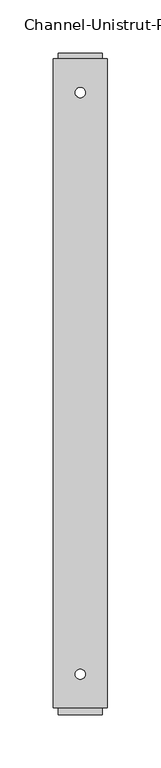
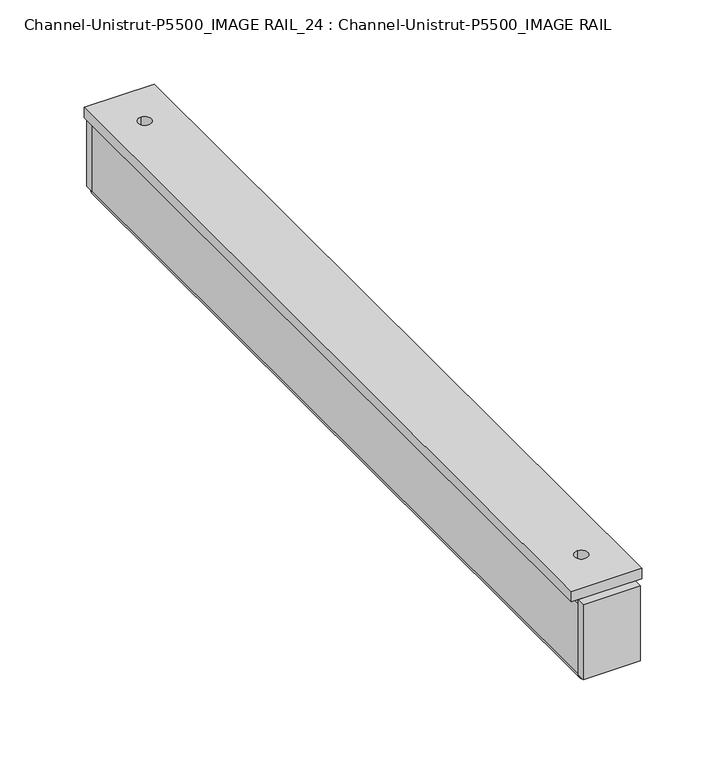
"""IFC4 building model written with IfcOpenShell, lengths in millimetres: proxy geometry, Channel-Unistrut-P5500_IMAGE RAIL_24 : Channel-Unistrut-P5500_IMAGE RAIL."""

from ifc_helpers import new_model, si_unit, point, frame, frame_2d, origin, place, context, project, spatial, polyline, circle_curve, trimmed, segment, composite_curve, outline, extrude, source, transform, mapped, element, save
from ifc_brep_helpers import plane_surface, cylinder_surface, revolved_surface, advanced_brep


def channel_unistrut_p5500_image_rail_24_channel_unistrut_p5500_609f9cf5(model_context):
    return source(origin(), model_context, "Body", "SolidModel", [
        extrude(outline(polyline([(-20.6375, 303.6266199), (-20.6375, 309.9766199), (20.6446865, 309.9766199), (20.6446865, 303.6266199), (-20.6375, 303.6266199)])), frame((0.0, 0.0, 4.75615), z_axis=(0.0, 0.0, 1.0), x_axis=(1.0, 0.0, 0.0)), (0.0, 0.0, 1.0), 57.15),
        extrude(outline(polyline([(25.3928135, -304.8), (-25.4071865, -304.8), (-25.4071865, 304.8), (25.3928135, 304.8), (25.3928135, -304.8)]), holes=[composite_curve([segment(trimmed(circle_curve(frame_2d((-0.0071865, -273.05)), 4.7625), [point((-0.0071865, -277.8125))], [point((-0.0071865, -268.2875))], True, "CARTESIAN"), True, "CONTINUOUS"), segment(trimmed(circle_curve(frame_2d((-0.0071865, -273.05)), 4.7625), [point((-0.0071865, -268.2875))], [point((-0.0071865, -277.8125))], True, "CARTESIAN"), True, "CONTINUOUS")], self_intersect=False), composite_curve([segment(trimmed(circle_curve(frame_2d((-0.0071865, 273.05)), 4.7625), [point((-0.0071865, 268.2875))], [point((-0.0071865, 277.8125))], True, "CARTESIAN"), True, "CONTINUOUS"), segment(trimmed(circle_curve(frame_2d((-0.0071865, 273.05)), 4.7625), [point((-0.0071865, 277.8125))], [point((-0.0071865, 268.2875))], True, "CARTESIAN"), True, "CONTINUOUS")], self_intersect=False)]), frame((0.0, 0.0, 61.90615), z_axis=(0.0, 0.0, 1.0), x_axis=(1.0, 0.0, 0.0)), (0.0, 0.0, 1.0), 7.9375),
        extrude(outline(polyline([(-20.6375, -311.15), (-20.6375, -304.8), (20.6375, -304.8), (20.6375, -311.15), (-20.6375, -311.15)])), frame((0.0, 0.0, 4.7877902), z_axis=(0.0, 0.0, 1.0), x_axis=(1.0, 0.0, 0.0)), (0.0, 0.0, 1.0), 57.15),
        advanced_brep(
        [(-17.9705, 304.8, 58.4454), (-17.9705, 304.8, 5.04825), (-15.58925, 304.8, 2.667), (-14.57325, 304.8, 2.667), (-13.7795, 304.8, 3.46075), (-13.7795, 304.8, 7.1374), (-11.1125, 304.8, 7.1374), (-11.1125, 304.8, 3.46075), (-14.57325, 304.8, 0.0), (-15.58925, 304.8, 0.0), (-20.6375, 304.8, 5.04825), (-20.6375, 304.8, 58.4454), (-17.17675, 304.8, 61.90615), (17.17675, 304.8, 61.90615), (20.6375, 304.8, 58.4454), (20.6375, 304.8, 5.04825), (15.58925, 304.8, 0.0), (14.57325, 304.8, 0.0), (11.1125, 304.8, 3.46075), (11.1125, 304.8, 7.1374), (13.7795, 304.8, 7.1374), (13.7795, 304.8, 3.46075), (14.57325, 304.8, 2.667), (15.58925, 304.8, 2.667), (17.9705, 304.8, 5.04825), (17.9705, 304.8, 58.4454), (17.17675, 304.8, 59.23915), (-17.17675, 304.8, 59.23915), (-17.9705, -304.8, 58.4454), (-17.17675, -304.8, 59.23915), (17.17675, -304.8, 59.23915), (17.9705, -304.8, 58.4454), (17.9705, -304.8, 5.04825), (15.58925, -304.8, 2.667), (14.57325, -304.8, 2.667), (13.7795, -304.8, 3.46075), (13.7795, -304.8, 7.1374), (11.1125, -304.8, 7.1374), (11.1125, -304.8, 3.46075), (14.57325, -304.8, 0.0), (15.58925, -304.8, 0.0), (20.6375, -304.8, 5.04825), (20.6375, -304.8, 58.4454), (17.17675, -304.8, 61.90615), (-17.17675, -304.8, 61.90615), (-20.6375, -304.8, 58.4454), (-20.6375, -304.8, 5.04825), (-15.58925, -304.8, 0.0), (-14.57325, -304.8, 0.0), (-11.1125, -304.8, 3.46075), (-11.1125, -304.8, 7.1374), (-13.7795, -304.8, 7.1374), (-13.7795, -304.8, 3.46075), (-14.57325, -304.8, 2.667), (-15.58925, -304.8, 2.667), (-17.9705, -304.8, 5.04825), (7.14375, -272.25625, 61.90615), (7.14375, -286.54375, 61.90615), (-7.14375, -286.54375, 61.90615), (-7.14375, -272.25625, 61.90615), (7.14375, -221.45625, 61.90615), (7.14375, -235.74375, 61.90615), (-7.14375, -235.74375, 61.90615), (-7.14375, -221.45625, 61.90615), (7.14375, -170.65625, 61.90615), (7.14375, -184.94375, 61.90615), (-7.14375, -184.94375, 61.90615), (-7.14375, -170.65625, 61.90615), (7.14375, -119.85625, 61.90615), (7.14375, -134.14375, 61.90615), (-7.14375, -134.14375, 61.90615), (-7.14375, -119.85625, 61.90615), (7.14375, -69.05625, 61.90615), (7.14375, -83.34375, 61.90615), (-7.14375, -83.34375, 61.90615), (-7.14375, -69.05625, 61.90615), (7.14375, -18.25625, 61.90615), (7.14375, -32.54375, 61.90615), (-7.14375, -32.54375, 61.90615), (-7.14375, -18.25625, 61.90615), (7.14375, 32.54375, 61.90615), (7.14375, 18.25625, 61.90615), (-7.14375, 18.25625, 61.90615), (-7.14375, 32.54375, 61.90615), (7.14375, 83.34375, 61.90615), (7.14375, 69.05625, 61.90615), (-7.14375, 69.05625, 61.90615), (-7.14375, 83.34375, 61.90615), (7.14375, 134.14375, 61.90615), (7.14375, 119.85625, 61.90615), (-7.14375, 119.85625, 61.90615), (-7.14375, 134.14375, 61.90615), (7.14375, 184.94375, 61.90615), (7.14375, 170.65625, 61.90615), (-7.14375, 170.65625, 61.90615), (-7.14375, 184.94375, 61.90615), (7.14375, 235.74375, 61.90615), (7.14375, 221.45625, 61.90615), (-7.14375, 221.45625, 61.90615), (-7.14375, 235.74375, 61.90615), (7.14375, 286.54375, 61.90615), (7.14375, 272.25625, 61.90615), (-7.14375, 272.25625, 61.90615), (-7.14375, 286.54375, 61.90615), (7.14375, -286.54375, 59.23915), (7.14375, -272.25625, 59.23915), (-7.14375, -272.25625, 59.23915), (-7.14375, -286.54375, 59.23915), (7.14375, -235.74375, 59.23915), (7.14375, -221.45625, 59.23915), (-7.14375, -221.45625, 59.23915), (-7.14375, -235.74375, 59.23915), (7.14375, -184.94375, 59.23915), (7.14375, -170.65625, 59.23915), (-7.14375, -170.65625, 59.23915), (-7.14375, -184.94375, 59.23915), (7.14375, -134.14375, 59.23915), (7.14375, -119.85625, 59.23915), (-7.14375, -119.85625, 59.23915), (-7.14375, -134.14375, 59.23915), (7.14375, -83.34375, 59.23915), (7.14375, -69.05625, 59.23915), (-7.14375, -69.05625, 59.23915), (-7.14375, -83.34375, 59.23915), (7.14375, -32.54375, 59.23915), (7.14375, -18.25625, 59.23915), (-7.14375, -18.25625, 59.23915), (-7.14375, -32.54375, 59.23915), (7.14375, 18.25625, 59.23915), (7.14375, 32.54375, 59.23915), (-7.14375, 32.54375, 59.23915), (-7.14375, 18.25625, 59.23915), (7.14375, 69.05625, 59.23915), (7.14375, 83.34375, 59.23915), (-7.14375, 83.34375, 59.23915), (-7.14375, 69.05625, 59.23915), (7.14375, 119.85625, 59.23915), (7.14375, 134.14375, 59.23915), (-7.14375, 134.14375, 59.23915), (-7.14375, 119.85625, 59.23915), (7.14375, 170.65625, 59.23915), (7.14375, 184.94375, 59.23915), (-7.14375, 184.94375, 59.23915), (-7.14375, 170.65625, 59.23915), (7.14375, 221.45625, 59.23915), (7.14375, 235.74375, 59.23915), (-7.14375, 235.74375, 59.23915), (-7.14375, 221.45625, 59.23915), (7.14375, 272.25625, 59.23915), (7.14375, 286.54375, 59.23915), (-7.14375, 286.54375, 59.23915), (-7.14375, 272.25625, 59.23915)],
        [
            (0, 1),
            (1, 2, circle_curve(frame((-15.58925, 304.8, 5.04825), z_axis=(0.0, -1.0, 0.0), x_axis=(1.0, 0.0, 0.0)), 2.38125)),
            (2, 3),
            (3, 4, circle_curve(frame((-14.57325, 304.8, 3.46075), z_axis=(0.0, -1.0, 0.0), x_axis=(1.0, 0.0, 0.0)), 0.79375)),
            (4, 5),
            (5, 6),
            (6, 7),
            (7, 8, circle_curve(frame((-14.57325, 304.8, 3.46075), z_axis=(0.0, 1.0, 0.0), x_axis=(1.0, 0.0, 0.0)), 3.46075)),
            (8, 9),
            (9, 10, circle_curve(frame((-15.58925, 304.8, 5.04825), z_axis=(0.0, 1.0, 0.0), x_axis=(1.0, 0.0, 0.0)), 5.04825)),
            (10, 11),
            (11, 12, circle_curve(frame((-17.17675, 304.8, 58.4454), z_axis=(0.0, 1.0, 0.0), x_axis=(1.0, 0.0, 0.0)), 3.46075)),
            (12, 13),
            (13, 14, circle_curve(frame((17.17675, 304.8, 58.4454), z_axis=(0.0, 1.0, 0.0), x_axis=(1.0, 0.0, 0.0)), 3.46075)),
            (14, 15),
            (15, 16, circle_curve(frame((15.58925, 304.8, 5.04825), z_axis=(0.0, 1.0, 0.0), x_axis=(1.0, 0.0, 0.0)), 5.04825)),
            (16, 17),
            (17, 18, circle_curve(frame((14.57325, 304.8, 3.46075), z_axis=(0.0, 1.0, 0.0), x_axis=(1.0, 0.0, 0.0)), 3.46075)),
            (18, 19),
            (19, 20),
            (20, 21),
            (21, 22, circle_curve(frame((14.57325, 304.8, 3.46075), z_axis=(0.0, -1.0, 0.0), x_axis=(1.0, 0.0, 0.0)), 0.79375)),
            (22, 23),
            (23, 24, circle_curve(frame((15.58925, 304.8, 5.04825), z_axis=(0.0, -1.0, 0.0), x_axis=(1.0, 0.0, 0.0)), 2.38125)),
            (24, 25),
            (25, 26, circle_curve(frame((17.17675, 304.8, 58.4454), z_axis=(0.0, -1.0, 0.0), x_axis=(1.0, 0.0, 0.0)), 0.79375)),
            (26, 27),
            (27, 0, circle_curve(frame((-17.17675, 304.8, 58.4454), z_axis=(0.0, -1.0, 0.0), x_axis=(1.0, 0.0, 0.0)), 0.79375)),
            (28, 29, circle_curve(frame((-17.17675, -304.8, 58.4454), z_axis=(0.0, 1.0, 0.0), x_axis=(1.0, 0.0, 0.0)), 0.79375)),
            (29, 30),
            (30, 31, circle_curve(frame((17.17675, -304.8, 58.4454), z_axis=(0.0, 1.0, 0.0), x_axis=(1.0, 0.0, 0.0)), 0.79375)),
            (31, 32),
            (32, 33, circle_curve(frame((15.58925, -304.8, 5.04825), z_axis=(0.0, 1.0, 0.0), x_axis=(1.0, 0.0, 0.0)), 2.38125)),
            (33, 34),
            (34, 35, circle_curve(frame((14.57325, -304.8, 3.46075), z_axis=(0.0, 1.0, 0.0), x_axis=(1.0, 0.0, 0.0)), 0.79375)),
            (35, 36),
            (36, 37),
            (37, 38),
            (38, 39, circle_curve(frame((14.57325, -304.8, 3.46075), z_axis=(0.0, -1.0, 0.0), x_axis=(1.0, 0.0, 0.0)), 3.46075)),
            (39, 40),
            (40, 41, circle_curve(frame((15.58925, -304.8, 5.04825), z_axis=(0.0, -1.0, 0.0), x_axis=(1.0, 0.0, 0.0)), 5.04825)),
            (41, 42),
            (42, 43, circle_curve(frame((17.17675, -304.8, 58.4454), z_axis=(0.0, -1.0, 0.0), x_axis=(1.0, 0.0, 0.0)), 3.46075)),
            (43, 44),
            (44, 45, circle_curve(frame((-17.17675, -304.8, 58.4454), z_axis=(0.0, -1.0, 0.0), x_axis=(1.0, 0.0, 0.0)), 3.46075)),
            (45, 46),
            (46, 47, circle_curve(frame((-15.58925, -304.8, 5.04825), z_axis=(0.0, -1.0, 0.0), x_axis=(1.0, 0.0, 0.0)), 5.04825)),
            (47, 48),
            (48, 49, circle_curve(frame((-14.57325, -304.8, 3.46075), z_axis=(0.0, -1.0, 0.0), x_axis=(1.0, 0.0, 0.0)), 3.46075)),
            (49, 50),
            (50, 51),
            (51, 52),
            (52, 53, circle_curve(frame((-14.57325, -304.8, 3.46075), z_axis=(0.0, 1.0, 0.0), x_axis=(1.0, 0.0, 0.0)), 0.79375)),
            (53, 54),
            (54, 55, circle_curve(frame((-15.58925, -304.8, 5.04825), z_axis=(0.0, 1.0, 0.0), x_axis=(1.0, 0.0, 0.0)), 2.38125)),
            (55, 28),
            (0, 28),
            (55, 1),
            (54, 2),
            (53, 3),
            (52, 4),
            (51, 5),
            (50, 6),
            (49, 7),
            (48, 8),
            (47, 9),
            (46, 10),
            (45, 11),
            (44, 12),
            (43, 13),
            (56, 57),
            (57, 58, circle_curve(frame((0.0, -286.54375, 61.90615), z_axis=(0.0, 0.0, -1.0), x_axis=(1.0, 0.0, 0.0)), 7.14375)),
            (58, 59),
            (59, 56, circle_curve(frame((0.0, -272.25625, 61.90615), z_axis=(0.0, 0.0, -1.0), x_axis=(1.0, 0.0, 0.0)), 7.14375)),
            (60, 61),
            (61, 62, circle_curve(frame((0.0, -235.74375, 61.90615), z_axis=(0.0, 0.0, -1.0), x_axis=(1.0, 0.0, 0.0)), 7.14375)),
            (62, 63),
            (63, 60, circle_curve(frame((0.0, -221.45625, 61.90615), z_axis=(0.0, 0.0, -1.0), x_axis=(1.0, 0.0, 0.0)), 7.14375)),
            (64, 65),
            (65, 66, circle_curve(frame((0.0, -184.94375, 61.90615), z_axis=(0.0, 0.0, -1.0), x_axis=(1.0, 0.0, 0.0)), 7.14375)),
            (66, 67),
            (67, 64, circle_curve(frame((0.0, -170.65625, 61.90615), z_axis=(0.0, 0.0, -1.0), x_axis=(1.0, 0.0, 0.0)), 7.14375)),
            (68, 69),
            (69, 70, circle_curve(frame((0.0, -134.14375, 61.90615), z_axis=(0.0, 0.0, -1.0), x_axis=(1.0, 0.0, 0.0)), 7.14375)),
            (70, 71),
            (71, 68, circle_curve(frame((0.0, -119.85625, 61.90615), z_axis=(0.0, 0.0, -1.0), x_axis=(1.0, 0.0, 0.0)), 7.14375)),
            (72, 73),
            (73, 74, circle_curve(frame((0.0, -83.34375, 61.90615), z_axis=(0.0, 0.0, -1.0), x_axis=(1.0, 0.0, 0.0)), 7.14375)),
            (74, 75),
            (75, 72, circle_curve(frame((0.0, -69.05625, 61.90615), z_axis=(0.0, 0.0, -1.0), x_axis=(1.0, 0.0, 0.0)), 7.14375)),
            (76, 77),
            (77, 78, circle_curve(frame((0.0, -32.54375, 61.90615), z_axis=(0.0, 0.0, -1.0), x_axis=(1.0, 0.0, 0.0)), 7.14375)),
            (78, 79),
            (79, 76, circle_curve(frame((0.0, -18.25625, 61.90615), z_axis=(0.0, 0.0, -1.0), x_axis=(1.0, 0.0, 0.0)), 7.14375)),
            (80, 81),
            (81, 82, circle_curve(frame((0.0, 18.25625, 61.90615), z_axis=(0.0, 0.0, -1.0), x_axis=(1.0, 0.0, 0.0)), 7.14375)),
            (82, 83),
            (83, 80, circle_curve(frame((0.0, 32.54375, 61.90615), z_axis=(0.0, 0.0, -1.0), x_axis=(1.0, 0.0, 0.0)), 7.14375)),
            (84, 85),
            (85, 86, circle_curve(frame((0.0, 69.05625, 61.90615), z_axis=(0.0, 0.0, -1.0), x_axis=(1.0, 0.0, 0.0)), 7.14375)),
            (86, 87),
            (87, 84, circle_curve(frame((0.0, 83.34375, 61.90615), z_axis=(0.0, 0.0, -1.0), x_axis=(1.0, 0.0, 0.0)), 7.14375)),
            (88, 89),
            (89, 90, circle_curve(frame((0.0, 119.85625, 61.90615), z_axis=(0.0, 0.0, -1.0), x_axis=(1.0, 0.0, 0.0)), 7.14375)),
            (90, 91),
            (91, 88, circle_curve(frame((0.0, 134.14375, 61.90615), z_axis=(0.0, 0.0, -1.0), x_axis=(1.0, 0.0, 0.0)), 7.14375)),
            (92, 93),
            (93, 94, circle_curve(frame((0.0, 170.65625, 61.90615), z_axis=(0.0, 0.0, -1.0), x_axis=(1.0, 0.0, 0.0)), 7.14375)),
            (94, 95),
            (95, 92, circle_curve(frame((0.0, 184.94375, 61.90615), z_axis=(0.0, 0.0, -1.0), x_axis=(1.0, 0.0, 0.0)), 7.14375)),
            (96, 97),
            (97, 98, circle_curve(frame((0.0, 221.45625, 61.90615), z_axis=(0.0, 0.0, -1.0), x_axis=(1.0, 0.0, 0.0)), 7.14375)),
            (98, 99),
            (99, 96, circle_curve(frame((0.0, 235.74375, 61.90615), z_axis=(0.0, 0.0, -1.0), x_axis=(1.0, 0.0, 0.0)), 7.14375)),
            (100, 101),
            (101, 102, circle_curve(frame((0.0, 272.25625, 61.90615), z_axis=(0.0, 0.0, -1.0), x_axis=(1.0, 0.0, 0.0)), 7.14375)),
            (102, 103),
            (103, 100, circle_curve(frame((0.0, 286.54375, 61.90615), z_axis=(0.0, 0.0, -1.0), x_axis=(1.0, 0.0, 0.0)), 7.14375)),
            (42, 14),
            (41, 15),
            (40, 16),
            (39, 17),
            (38, 18),
            (37, 19),
            (36, 20),
            (35, 21),
            (34, 22),
            (33, 23),
            (32, 24),
            (31, 25),
            (30, 26),
            (29, 27),
            (104, 105),
            (105, 106, circle_curve(frame((0.0, -272.25625, 59.23915), z_axis=(0.0, 0.0, 1.0), x_axis=(1.0, 0.0, 0.0)), 7.14375)),
            (106, 107),
            (107, 104, circle_curve(frame((0.0, -286.54375, 59.23915), z_axis=(0.0, 0.0, 1.0), x_axis=(1.0, 0.0, 0.0)), 7.14375)),
            (108, 109),
            (109, 110, circle_curve(frame((0.0, -221.45625, 59.23915), z_axis=(0.0, 0.0, 1.0), x_axis=(1.0, 0.0, 0.0)), 7.14375)),
            (110, 111),
            (111, 108, circle_curve(frame((0.0, -235.74375, 59.23915), z_axis=(0.0, 0.0, 1.0), x_axis=(1.0, 0.0, 0.0)), 7.14375)),
            (112, 113),
            (113, 114, circle_curve(frame((0.0, -170.65625, 59.23915), z_axis=(0.0, 0.0, 1.0), x_axis=(1.0, 0.0, 0.0)), 7.14375)),
            (114, 115),
            (115, 112, circle_curve(frame((0.0, -184.94375, 59.23915), z_axis=(0.0, 0.0, 1.0), x_axis=(1.0, 0.0, 0.0)), 7.14375)),
            (116, 117),
            (117, 118, circle_curve(frame((0.0, -119.85625, 59.23915), z_axis=(0.0, 0.0, 1.0), x_axis=(1.0, 0.0, 0.0)), 7.14375)),
            (118, 119),
            (119, 116, circle_curve(frame((0.0, -134.14375, 59.23915), z_axis=(0.0, 0.0, 1.0), x_axis=(1.0, 0.0, 0.0)), 7.14375)),
            (120, 121),
            (121, 122, circle_curve(frame((0.0, -69.05625, 59.23915), z_axis=(0.0, 0.0, 1.0), x_axis=(1.0, 0.0, 0.0)), 7.14375)),
            (122, 123),
            (123, 120, circle_curve(frame((0.0, -83.34375, 59.23915), z_axis=(0.0, 0.0, 1.0), x_axis=(1.0, 0.0, 0.0)), 7.14375)),
            (124, 125),
            (125, 126, circle_curve(frame((0.0, -18.25625, 59.23915), z_axis=(0.0, 0.0, 1.0), x_axis=(1.0, 0.0, 0.0)), 7.14375)),
            (126, 127),
            (127, 124, circle_curve(frame((0.0, -32.54375, 59.23915), z_axis=(0.0, 0.0, 1.0), x_axis=(1.0, 0.0, 0.0)), 7.14375)),
            (128, 129),
            (129, 130, circle_curve(frame((0.0, 32.54375, 59.23915), z_axis=(0.0, 0.0, 1.0), x_axis=(1.0, 0.0, 0.0)), 7.14375)),
            (130, 131),
            (131, 128, circle_curve(frame((0.0, 18.25625, 59.23915), z_axis=(0.0, 0.0, 1.0), x_axis=(1.0, 0.0, 0.0)), 7.14375)),
            (132, 133),
            (133, 134, circle_curve(frame((0.0, 83.34375, 59.23915), z_axis=(0.0, 0.0, 1.0), x_axis=(1.0, 0.0, 0.0)), 7.14375)),
            (134, 135),
            (135, 132, circle_curve(frame((0.0, 69.05625, 59.23915), z_axis=(0.0, 0.0, 1.0), x_axis=(1.0, 0.0, 0.0)), 7.14375)),
            (136, 137),
            (137, 138, circle_curve(frame((0.0, 134.14375, 59.23915), z_axis=(0.0, 0.0, 1.0), x_axis=(1.0, 0.0, 0.0)), 7.14375)),
            (138, 139),
            (139, 136, circle_curve(frame((0.0, 119.85625, 59.23915), z_axis=(0.0, 0.0, 1.0), x_axis=(1.0, 0.0, 0.0)), 7.14375)),
            (140, 141),
            (141, 142, circle_curve(frame((0.0, 184.94375, 59.23915), z_axis=(0.0, 0.0, 1.0), x_axis=(1.0, 0.0, 0.0)), 7.14375)),
            (142, 143),
            (143, 140, circle_curve(frame((0.0, 170.65625, 59.23915), z_axis=(0.0, 0.0, 1.0), x_axis=(1.0, 0.0, 0.0)), 7.14375)),
            (144, 145),
            (145, 146, circle_curve(frame((0.0, 235.74375, 59.23915), z_axis=(0.0, 0.0, 1.0), x_axis=(1.0, 0.0, 0.0)), 7.14375)),
            (146, 147),
            (147, 144, circle_curve(frame((0.0, 221.45625, 59.23915), z_axis=(0.0, 0.0, 1.0), x_axis=(1.0, 0.0, 0.0)), 7.14375)),
            (148, 149),
            (149, 150, circle_curve(frame((0.0, 286.54375, 59.23915), z_axis=(0.0, 0.0, 1.0), x_axis=(1.0, 0.0, 0.0)), 7.14375)),
            (150, 151),
            (151, 148, circle_curve(frame((0.0, 272.25625, 59.23915), z_axis=(0.0, 0.0, 1.0), x_axis=(1.0, 0.0, 0.0)), 7.14375)),
            (56, 105),
            (104, 57),
            (59, 106),
            (58, 107),
            (60, 109),
            (108, 61),
            (63, 110),
            (62, 111),
            (64, 113),
            (112, 65),
            (67, 114),
            (66, 115),
            (68, 117),
            (116, 69),
            (71, 118),
            (70, 119),
            (72, 121),
            (120, 73),
            (75, 122),
            (74, 123),
            (76, 125),
            (124, 77),
            (79, 126),
            (78, 127),
            (80, 129),
            (128, 81),
            (83, 130),
            (82, 131),
            (84, 133),
            (132, 85),
            (87, 134),
            (86, 135),
            (88, 137),
            (136, 89),
            (91, 138),
            (90, 139),
            (92, 141),
            (140, 93),
            (95, 142),
            (94, 143),
            (96, 145),
            (144, 97),
            (99, 146),
            (98, 147),
            (100, 149),
            (148, 101),
            (103, 150),
            (102, 151),
        ],
        [
            plane_surface(frame((0.0, 304.8, 0.0), z_axis=(0.0, 1.0, 0.0), x_axis=(0.0, 0.0, 1.0))),
            plane_surface(frame((0.0, -304.8, 0.0), z_axis=(0.0, -1.0, 0.0), x_axis=(0.0, 0.0, 1.0))),
            plane_surface(frame((-17.9705, 304.8, 58.4454), z_axis=(1.0, 0.0, 0.0), x_axis=(0.0, -1.0, 0.0))),
            revolved_surface(polyline([(-13.208, -304.8, 5.04825), (-13.208, 304.8, 5.04825)]), (-15.58925, 304.8, 5.04825), (0.0, -1.0, 0.0)),
            plane_surface(frame((-15.58925, 304.8, 2.667), z_axis=(0.0, 0.0, 1.0), x_axis=(0.0, -1.0, 0.0))),
            revolved_surface(polyline([(-13.7795, -304.8, 3.46075), (-13.7795, 304.8, 3.46075)]), (-14.57325, 304.8, 3.46075), (0.0, -1.0, 0.0)),
            plane_surface(frame((-13.7795, 304.8, 3.46075), z_axis=(-1.0, 0.0, 0.0), x_axis=(0.0, -1.0, 0.0))),
            plane_surface(frame((-13.7795, 304.8, 7.1374), z_axis=(0.0, 0.0, 1.0), x_axis=(0.0, -1.0, 0.0))),
            plane_surface(frame((-11.1125, 304.8, 7.1374), z_axis=(1.0, 0.0, 0.0), x_axis=(0.0, -1.0, 0.0))),
            cylinder_surface(frame((-14.57325, 304.8, 3.46075), z_axis=(0.0, 1.0, 0.0), x_axis=(1.0, 0.0, 0.0)), 3.46075),
            plane_surface(frame((-14.57325, 304.8, 0.0), z_axis=(0.0, 0.0, -1.0), x_axis=(0.0, -1.0, 0.0))),
            cylinder_surface(frame((-15.58925, 304.8, 5.04825), z_axis=(0.0, 1.0, 0.0), x_axis=(1.0, 0.0, 0.0)), 5.04825),
            plane_surface(frame((-20.6375, 304.8, 5.04825), z_axis=(-1.0, 0.0, 0.0), x_axis=(0.0, -1.0, 0.0))),
            cylinder_surface(frame((-17.17675, 304.8, 58.4454), z_axis=(0.0, 1.0, 0.0), x_axis=(1.0, 0.0, 0.0)), 3.46075),
            plane_surface(frame((-17.17675, 304.8, 61.90615), z_axis=(0.0, 0.0, 1.0), x_axis=(0.0, -1.0, 0.0))),
            cylinder_surface(frame((17.17675, 304.8, 58.4454), z_axis=(0.0, 1.0, 0.0), x_axis=(1.0, 0.0, 0.0)), 3.46075),
            plane_surface(frame((20.6375, 304.8, 58.4454), z_axis=(1.0, 0.0, 0.0), x_axis=(0.0, -1.0, 0.0))),
            cylinder_surface(frame((15.58925, 304.8, 5.04825), z_axis=(0.0, 1.0, 0.0), x_axis=(1.0, 0.0, 0.0)), 5.04825),
            plane_surface(frame((15.58925, 304.8, 0.0), z_axis=(0.0, 0.0, -1.0), x_axis=(0.0, -1.0, 0.0))),
            cylinder_surface(frame((14.57325, 304.8, 3.46075), z_axis=(0.0, 1.0, 0.0), x_axis=(1.0, 0.0, 0.0)), 3.46075),
            plane_surface(frame((11.1125, 304.8, 3.46075), z_axis=(-1.0, 0.0, 0.0), x_axis=(0.0, -1.0, 0.0))),
            plane_surface(frame((11.1125, 304.8, 7.1374), z_axis=(0.0, 0.0, 1.0), x_axis=(0.0, -1.0, 0.0))),
            plane_surface(frame((13.7795, 304.8, 7.1374), z_axis=(1.0, 0.0, 0.0), x_axis=(0.0, -1.0, 0.0))),
            revolved_surface(polyline([(15.366999999999999, -304.8, 3.46075), (15.366999999999999, 304.8, 3.46075)]), (14.57325, 304.8, 3.46075), (0.0, -1.0, 0.0)),
            plane_surface(frame((14.57325, 304.8, 2.667), z_axis=(0.0, 0.0, 1.0), x_axis=(0.0, -1.0, 0.0))),
            revolved_surface(polyline([(17.9705, -304.8, 5.04825), (17.9705, 304.8, 5.04825)]), (15.58925, 304.8, 5.04825), (0.0, -1.0, 0.0)),
            plane_surface(frame((17.9705, 304.8, 5.04825), z_axis=(-1.0, 0.0, 0.0), x_axis=(0.0, -1.0, 0.0))),
            revolved_surface(polyline([(17.970499999999998, -304.8, 58.4454), (17.970499999999998, 304.8, 58.4454)]), (17.17675, 304.8, 58.4454), (0.0, -1.0, 0.0)),
            plane_surface(frame((17.17675, 304.8, 59.23915), z_axis=(0.0, 0.0, -1.0), x_axis=(0.0, -1.0, 0.0))),
            revolved_surface(polyline([(-16.383, -304.8, 58.4454), (-16.383, 304.8, 58.4454)]), (-17.17675, 304.8, 58.4454), (0.0, -1.0, 0.0)),
            plane_surface(frame((7.14375, -286.54375, 61.9125), z_axis=(-1.0, 0.0, 0.0), x_axis=(0.0, 0.0, -1.0))),
            revolved_surface(polyline([(7.14375, -272.25625, 61.90615), (7.14375, -272.25625, 59.23915)]), (0.0, -272.25625, 59.2455), (0.0, 0.0, 1.0)),
            plane_surface(frame((-7.14375, -272.25625, 61.9125), z_axis=(1.0, 0.0, 0.0), x_axis=(0.0, 0.0, -1.0))),
            revolved_surface(polyline([(7.14375, -286.54375, 61.90615), (7.14375, -286.54375, 59.23915)]), (0.0, -286.54375, 59.2455), (0.0, 0.0, 1.0)),
            plane_surface(frame((7.14375, -235.74375, 61.9125), z_axis=(-1.0, 0.0, 0.0), x_axis=(0.0, 0.0, -1.0))),
            revolved_surface(polyline([(7.14375, -221.45625, 61.90615), (7.14375, -221.45625, 59.23915)]), (0.0, -221.45625, 59.2455), (0.0, 0.0, 1.0)),
            plane_surface(frame((-7.14375, -221.45625, 61.9125), z_axis=(1.0, 0.0, 0.0), x_axis=(0.0, 0.0, -1.0))),
            revolved_surface(polyline([(7.14375, -235.74375, 61.90615), (7.14375, -235.74375, 59.23915)]), (0.0, -235.74375, 59.2455), (0.0, 0.0, 1.0)),
            plane_surface(frame((7.14375, -184.94375, 61.9125), z_axis=(-1.0, 0.0, 0.0), x_axis=(0.0, 0.0, -1.0))),
            revolved_surface(polyline([(7.14375, -170.65625, 61.90615), (7.14375, -170.65625, 59.23915)]), (0.0, -170.65625, 59.2455), (0.0, 0.0, 1.0)),
            plane_surface(frame((-7.14375, -170.65625, 61.9125), z_axis=(1.0, 0.0, 0.0), x_axis=(0.0, 0.0, -1.0))),
            revolved_surface(polyline([(7.14375, -184.94375, 61.90615), (7.14375, -184.94375, 59.23915)]), (0.0, -184.94375, 59.2455), (0.0, 0.0, 1.0)),
            plane_surface(frame((7.14375, -134.14375, 61.9125), z_axis=(-1.0, 0.0, 0.0), x_axis=(0.0, 0.0, -1.0))),
            revolved_surface(polyline([(7.14375, -119.85625, 61.90615), (7.14375, -119.85625, 59.23915)]), (0.0, -119.85625, 59.2455), (0.0, 0.0, 1.0)),
            plane_surface(frame((-7.14375, -119.85625, 61.9125), z_axis=(1.0, 0.0, 0.0), x_axis=(0.0, 0.0, -1.0))),
            revolved_surface(polyline([(7.14375, -134.14375, 61.90615), (7.14375, -134.14375, 59.23915)]), (0.0, -134.14375, 59.2455), (0.0, 0.0, 1.0)),
            plane_surface(frame((7.14375, -83.34375, 61.9125), z_axis=(-1.0, 0.0, 0.0), x_axis=(0.0, 0.0, -1.0))),
            revolved_surface(polyline([(7.14375, -69.05625, 61.90615), (7.14375, -69.05625, 59.23915)]), (0.0, -69.05625, 59.2455), (0.0, 0.0, 1.0)),
            plane_surface(frame((-7.14375, -69.05625, 61.9125), z_axis=(1.0, 0.0, 0.0), x_axis=(0.0, 0.0, -1.0))),
            revolved_surface(polyline([(7.14375, -83.34375, 61.90615), (7.14375, -83.34375, 59.23915)]), (0.0, -83.34375, 59.2455), (0.0, 0.0, 1.0)),
            plane_surface(frame((7.14375, -32.54375, 61.9125), z_axis=(-1.0, 0.0, 0.0), x_axis=(0.0, 0.0, -1.0))),
            revolved_surface(polyline([(7.14375, -18.25625, 61.90615), (7.14375, -18.25625, 59.23915)]), (0.0, -18.25625, 59.2455), (0.0, 0.0, 1.0)),
            plane_surface(frame((-7.14375, -18.25625, 61.9125), z_axis=(1.0, 0.0, 0.0), x_axis=(0.0, 0.0, -1.0))),
            revolved_surface(polyline([(7.14375, -32.54375, 61.90615), (7.14375, -32.54375, 59.23915)]), (0.0, -32.54375, 59.2455), (0.0, 0.0, 1.0)),
            plane_surface(frame((7.14375, 18.25625, 61.9125), z_axis=(-1.0, 0.0, 0.0), x_axis=(0.0, 0.0, -1.0))),
            revolved_surface(polyline([(7.14375, 32.54375, 61.90615), (7.14375, 32.54375, 59.23915)]), (0.0, 32.54375, 59.2455), (0.0, 0.0, 1.0)),
            plane_surface(frame((-7.14375, 32.54375, 61.9125), z_axis=(1.0, 0.0, 0.0), x_axis=(0.0, 0.0, -1.0))),
            revolved_surface(polyline([(7.14375, 18.25625, 61.90615), (7.14375, 18.25625, 59.23915)]), (0.0, 18.25625, 59.2455), (0.0, 0.0, 1.0)),
            plane_surface(frame((7.14375, 69.05625, 61.9125), z_axis=(-1.0, 0.0, 0.0), x_axis=(0.0, 0.0, -1.0))),
            revolved_surface(polyline([(7.14375, 83.34375, 61.90615), (7.14375, 83.34375, 59.23915)]), (0.0, 83.34375, 59.2455), (0.0, 0.0, 1.0)),
            plane_surface(frame((-7.14375, 83.34375, 61.9125), z_axis=(1.0, 0.0, 0.0), x_axis=(0.0, 0.0, -1.0))),
            revolved_surface(polyline([(7.14375, 69.05625, 61.90615), (7.14375, 69.05625, 59.23915)]), (0.0, 69.05625, 59.2455), (0.0, 0.0, 1.0)),
            plane_surface(frame((7.14375, 119.85625, 61.9125), z_axis=(-1.0, 0.0, 0.0), x_axis=(0.0, 0.0, -1.0))),
            revolved_surface(polyline([(7.14375, 134.14375, 61.90615), (7.14375, 134.14375, 59.23915)]), (0.0, 134.14375, 59.2455), (0.0, 0.0, 1.0)),
            plane_surface(frame((-7.14375, 134.14375, 61.9125), z_axis=(1.0, 0.0, 0.0), x_axis=(0.0, 0.0, -1.0))),
            revolved_surface(polyline([(7.14375, 119.85625, 61.90615), (7.14375, 119.85625, 59.23915)]), (0.0, 119.85625, 59.2455), (0.0, 0.0, 1.0)),
            plane_surface(frame((7.14375, 170.65625, 61.9125), z_axis=(-1.0, 0.0, 0.0), x_axis=(0.0, 0.0, -1.0))),
            revolved_surface(polyline([(7.14375, 184.94375, 61.90615), (7.14375, 184.94375, 59.23915)]), (0.0, 184.94375, 59.2455), (0.0, 0.0, 1.0)),
            plane_surface(frame((-7.14375, 184.94375, 61.9125), z_axis=(1.0, 0.0, 0.0), x_axis=(0.0, 0.0, -1.0))),
            revolved_surface(polyline([(7.14375, 170.65625, 61.90615), (7.14375, 170.65625, 59.23915)]), (0.0, 170.65625, 59.2455), (0.0, 0.0, 1.0)),
            plane_surface(frame((7.14375, 221.45625, 61.9125), z_axis=(-1.0, 0.0, 0.0), x_axis=(0.0, 0.0, -1.0))),
            revolved_surface(polyline([(7.14375, 235.74375, 61.90615), (7.14375, 235.74375, 59.23915)]), (0.0, 235.74375, 59.2455), (0.0, 0.0, 1.0)),
            plane_surface(frame((-7.14375, 235.74375, 61.9125), z_axis=(1.0, 0.0, 0.0), x_axis=(0.0, 0.0, -1.0))),
            revolved_surface(polyline([(7.14375, 221.45625, 61.90615), (7.14375, 221.45625, 59.23915)]), (0.0, 221.45625, 59.2455), (0.0, 0.0, 1.0)),
            plane_surface(frame((7.14375, 272.25625, 61.9125), z_axis=(-1.0, 0.0, 0.0), x_axis=(0.0, 0.0, -1.0))),
            revolved_surface(polyline([(7.14375, 286.54375, 61.90615), (7.14375, 286.54375, 59.23915)]), (0.0, 286.54375, 59.2455), (0.0, 0.0, 1.0)),
            plane_surface(frame((-7.14375, 286.54375, 61.9125), z_axis=(1.0, 0.0, 0.0), x_axis=(0.0, 0.0, -1.0))),
            revolved_surface(polyline([(7.14375, 272.25625, 61.90615), (7.14375, 272.25625, 59.23915)]), (0.0, 272.25625, 59.2455), (0.0, 0.0, 1.0)),
        ],
        [
            (0, [[1, 2, 3, 4, 5, 6, 7, 8, 9, 10, 11, 12, 13, 14, 15, 16, 17, 18, 19, 20, 21, 22, 23, 24, 25, 26, 27, 28]]),
            (1, [[29, 30, 31, 32, 33, 34, 35, 36, 37, 38, 39, 40, 41, 42, 43, 44, 45, 46, 47, 48, 49, 50, 51, 52, 53, 54, 55, 56]]),
            (2, [[-1, 57, -56, 58]]),
            (3, [[-2, -58, -55, 59]]),
            (4, [[-3, -59, -54, 60]]),
            (5, [[-4, -60, -53, 61]]),
            (6, [[-5, -61, -52, 62]]),
            (7, [[-6, -62, -51, 63]]),
            (8, [[-7, -63, -50, 64]]),
            (9, [[-8, -64, -49, 65]]),
            (10, [[-9, -65, -48, 66]]),
            (11, [[-10, -66, -47, 67]]),
            (12, [[-11, -67, -46, 68]]),
            (13, [[-12, -68, -45, 69]]),
            (14, [[-13, -69, -44, 70], [71, 72, 73, 74], [75, 76, 77, 78], [79, 80, 81, 82], [83, 84, 85, 86], [87, 88, 89, 90], [91, 92, 93, 94], [95, 96, 97, 98], [99, 100, 101, 102], [103, 104, 105, 106], [107, 108, 109, 110], [111, 112, 113, 114], [115, 116, 117, 118]]),
            (15, [[-14, -70, -43, 119]]),
            (16, [[-15, -119, -42, 120]]),
            (17, [[-16, -120, -41, 121]]),
            (18, [[-17, -121, -40, 122]]),
            (19, [[-18, -122, -39, 123]]),
            (20, [[-19, -123, -38, 124]]),
            (21, [[-20, -124, -37, 125]]),
            (22, [[-21, -125, -36, 126]]),
            (23, [[-22, -126, -35, 127]]),
            (24, [[-23, -127, -34, 128]]),
            (25, [[-24, -128, -33, 129]]),
            (26, [[-25, -129, -32, 130]]),
            (27, [[-26, -130, -31, 131]]),
            (28, [[-27, -131, -30, 132], [133, 134, 135, 136], [137, 138, 139, 140], [141, 142, 143, 144], [145, 146, 147, 148], [149, 150, 151, 152], [153, 154, 155, 156], [157, 158, 159, 160], [161, 162, 163, 164], [165, 166, 167, 168], [169, 170, 171, 172], [173, 174, 175, 176], [177, 178, 179, 180]]),
            (29, [[-28, -132, -29, -57]]),
            (30, [[181, -133, 182, -71]]),
            (31, [[-181, -74, 183, -134]]),
            (32, [[-183, -73, 184, -135]]),
            (33, [[-182, -136, -184, -72]]),
            (34, [[185, -137, 186, -75]]),
            (35, [[-185, -78, 187, -138]]),
            (36, [[-187, -77, 188, -139]]),
            (37, [[-186, -140, -188, -76]]),
            (38, [[189, -141, 190, -79]]),
            (39, [[-189, -82, 191, -142]]),
            (40, [[-191, -81, 192, -143]]),
            (41, [[-190, -144, -192, -80]]),
            (42, [[193, -145, 194, -83]]),
            (43, [[-193, -86, 195, -146]]),
            (44, [[-195, -85, 196, -147]]),
            (45, [[-194, -148, -196, -84]]),
            (46, [[197, -149, 198, -87]]),
            (47, [[-197, -90, 199, -150]]),
            (48, [[-199, -89, 200, -151]]),
            (49, [[-198, -152, -200, -88]]),
            (50, [[201, -153, 202, -91]]),
            (51, [[-201, -94, 203, -154]]),
            (52, [[-203, -93, 204, -155]]),
            (53, [[-202, -156, -204, -92]]),
            (54, [[205, -157, 206, -95]]),
            (55, [[-205, -98, 207, -158]]),
            (56, [[-207, -97, 208, -159]]),
            (57, [[-206, -160, -208, -96]]),
            (58, [[209, -161, 210, -99]]),
            (59, [[-209, -102, 211, -162]]),
            (60, [[-211, -101, 212, -163]]),
            (61, [[-210, -164, -212, -100]]),
            (62, [[213, -165, 214, -103]]),
            (63, [[-213, -106, 215, -166]]),
            (64, [[-215, -105, 216, -167]]),
            (65, [[-214, -168, -216, -104]]),
            (66, [[217, -169, 218, -107]]),
            (67, [[-217, -110, 219, -170]]),
            (68, [[-219, -109, 220, -171]]),
            (69, [[-218, -172, -220, -108]]),
            (70, [[221, -173, 222, -111]]),
            (71, [[-221, -114, 223, -174]]),
            (72, [[-223, -113, 224, -175]]),
            (73, [[-222, -176, -224, -112]]),
            (74, [[225, -177, 226, -115]]),
            (75, [[-225, -118, 227, -178]]),
            (76, [[-227, -117, 228, -179]]),
            (77, [[-226, -180, -228, -116]]),
        ],
    ),
    ])


if __name__ == "__main__":
    model = new_model("IFC4")
    model_context = context("Model", 3, world=origin())
    ifc_project = project(units=[si_unit("LENGTHUNIT", "METRE", prefix="MILLI")], contexts=[model_context])
    site = spatial("IfcSite", under=ifc_project)
    building = spatial("IfcBuilding", under=site)
    placement = place(None, origin())
    channel_unistrut_p5500_image_rail_24_channel_unistrut_p5500_shape = channel_unistrut_p5500_image_rail_24_channel_unistrut_p5500_609f9cf5(model_context)
    element("IfcBuildingElementProxy", 1, Name="Channel-Unistrut-P5500_IMAGE RAIL_24 : Channel-Unistrut-P5500_IMAGE RAIL", ObjectType="Channel-Unistrut-P5500_IMAGE RAIL_24 : Channel-Unistrut-P5500_IMAGE RAIL", at=placement, inside=building, context=model_context, shape_type="MappedRepresentation", body=[
        mapped(channel_unistrut_p5500_image_rail_24_channel_unistrut_p5500_shape, transform((0.0, 0.0, 0.0), x_axis=(1.0, 0.0, 0.0), y_axis=(0.0, 1.0, 0.0), z_axis=(0.0, 0.0, 1.0))),
    ])
    save(model, "model.ifc")
